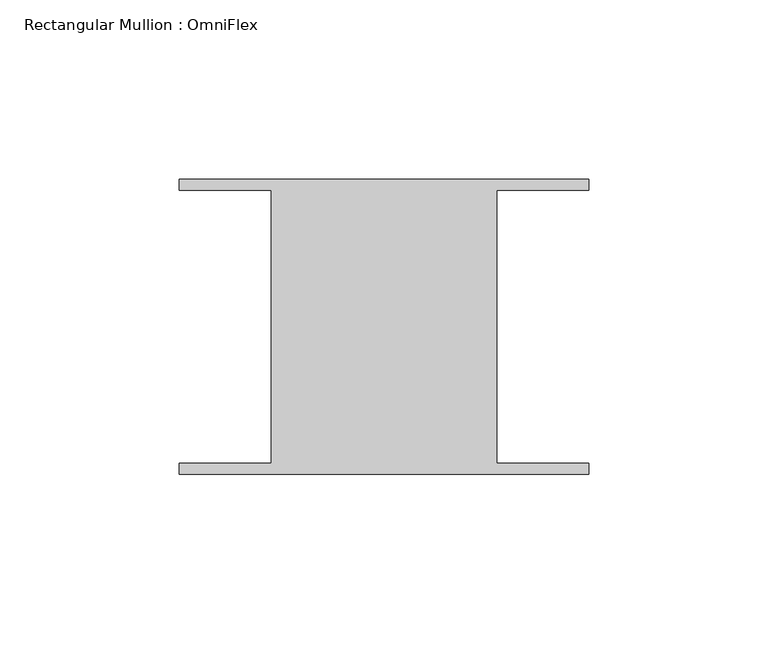
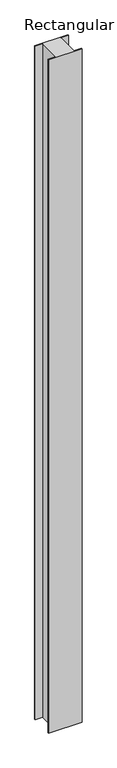
"""IFC4 building model written with IfcOpenShell, lengths in millimetres: member geometry, Rectangular Mullion : OmniFlex."""

from ifc_helpers import new_model, si_unit, frame, origin, place, context, project, spatial, polyline, outline, extrude, source, transform, mapped, element, save


def rectangular_mullion_omniflex_149c581c(model_context):
    return source(origin(), model_context, "Body", "SweptSolid", [
        extrude(outline(polyline([(-57.15, 38.0620588), (-57.15, 41.13784), (57.15, 41.13784), (57.15, 38.0620587), (31.4523437, 38.0620588), (31.4523437, -38.0620587), (57.15, -38.0620588), (57.15, -41.13784), (-57.15, -41.13784), (-57.15, -38.0620587), (-31.4523438, -38.0620587), (-31.4523438, 38.0620588), (-57.15, 38.0620588)])), frame((0.0, 0.0, -2438.4), z_axis=(0.0, 0.0, 1.0), x_axis=(1.0, 0.0, 0.0)), (0.0, 0.0, 1.0), 2438.4),
    ])


if __name__ == "__main__":
    model = new_model("IFC4")
    model_context = context("Model", 3, world=origin())
    ifc_project = project(units=[si_unit("LENGTHUNIT", "METRE", prefix="MILLI")], contexts=[model_context])
    site = spatial("IfcSite", under=ifc_project)
    building = spatial("IfcBuilding", under=site)
    placement = place(None, origin())
    rectangular_mullion_omniflex_shape = rectangular_mullion_omniflex_149c581c(model_context)
    element("IfcMember", 1, ObjectType="Rectangular Mullion : OmniFlex", at=placement, inside=building, context=model_context, shape_type="MappedRepresentation", body=[
        mapped(rectangular_mullion_omniflex_shape, transform((0.0, 0.0, 0.0), x_axis=(1.0, 0.0, 0.0), y_axis=(0.0, 1.0, 0.0), z_axis=(0.0, 0.0, 1.0))),
    ])
    save(model, "model.ifc")
